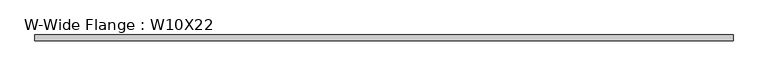
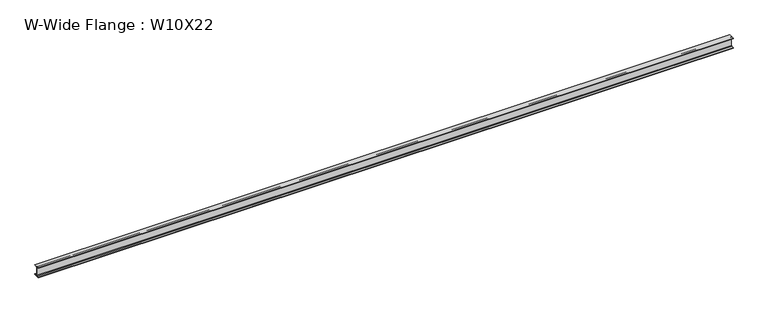
"""IFC4 building model written with IfcOpenShell, lengths in millimetres: beam geometry, W-Wide Flange : W10X22."""

from ifc_helpers import new_model, si_unit, point, frame, frame_2d, origin, place, context, project, spatial, polyline, circle_curve, trimmed, segment, composite_curve, outline, extrude, source, transform, mapped, element, save


def w_wide_flange_w10x22_e4e108bc(model_context):
    return source(origin(), model_context, "Body", "SweptSolid", [
        extrude(outline(composite_curve([segment(polyline([(73.025, -120.396), (73.025, -129.54), (-73.025, -129.54), (-73.025, -120.396), (-17.7165, -120.396)]), True, "CONTINUOUS"), segment(trimmed(circle_curve(frame_2d((-17.7165, -105.7275)), 14.6685), [point((-17.7165, -120.396))], [point((-3.048, -105.7275))], True, "CARTESIAN"), True, "CONTINUOUS"), segment(polyline([(-3.048, -105.7275), (-3.048, 105.7275)]), True, "CONTINUOUS"), segment(trimmed(circle_curve(frame_2d((-17.7165, 105.7275)), 14.6685), [point((-3.048, 105.7275))], [point((-17.7165, 120.396))], True, "CARTESIAN"), True, "CONTINUOUS"), segment(polyline([(-17.7165, 120.396), (-73.025, 120.396), (-73.025, 129.54), (73.025, 129.54), (73.025, 120.396), (17.7165, 120.396)]), True, "CONTINUOUS"), segment(trimmed(circle_curve(frame_2d((17.7165, 105.7275)), 14.6685), [point((17.7165, 120.396))], [point((3.048, 105.7275))], True, "CARTESIAN"), True, "CONTINUOUS"), segment(polyline([(3.048, 105.7275), (3.048, -105.7275)]), True, "CONTINUOUS"), segment(trimmed(circle_curve(frame_2d((17.7165, -105.7275)), 14.6685), [point((3.048, -105.7275))], [point((17.7165, -120.396))], True, "CARTESIAN"), True, "CONTINUOUS"), segment(polyline([(17.7165, -120.396), (73.025, -120.396)]), True, "CONTINUOUS")], self_intersect=False)), frame((-8699.5, 0.0, 0.0), z_axis=(1.0, 0.0, 0.0), x_axis=(0.0, 1.0, 0.0)), (0.0, 0.0, 1.0), 17399.0),
    ])


if __name__ == "__main__":
    model = new_model("IFC4")
    model_context = context("Model", 3, world=origin())
    ifc_project = project(units=[si_unit("LENGTHUNIT", "METRE", prefix="MILLI")], contexts=[model_context])
    site = spatial("IfcSite", under=ifc_project)
    building = spatial("IfcBuilding", under=site)
    placement = place(None, origin())
    w_wide_flange_w10x22_shape = w_wide_flange_w10x22_e4e108bc(model_context)
    element("IfcBeam", 1, ObjectType="W-Wide Flange : W10X22", at=placement, inside=building, context=model_context, shape_type="MappedRepresentation", body=[
        mapped(w_wide_flange_w10x22_shape, transform((0.0, 0.0, 0.0), x_axis=(1.0, 0.0, 0.0), y_axis=(0.0, 1.0, 0.0), z_axis=(0.0, 0.0, 1.0))),
    ])
    save(model, "model.ifc")
